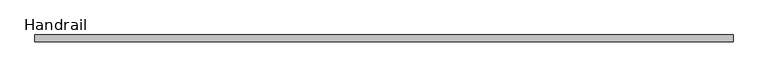
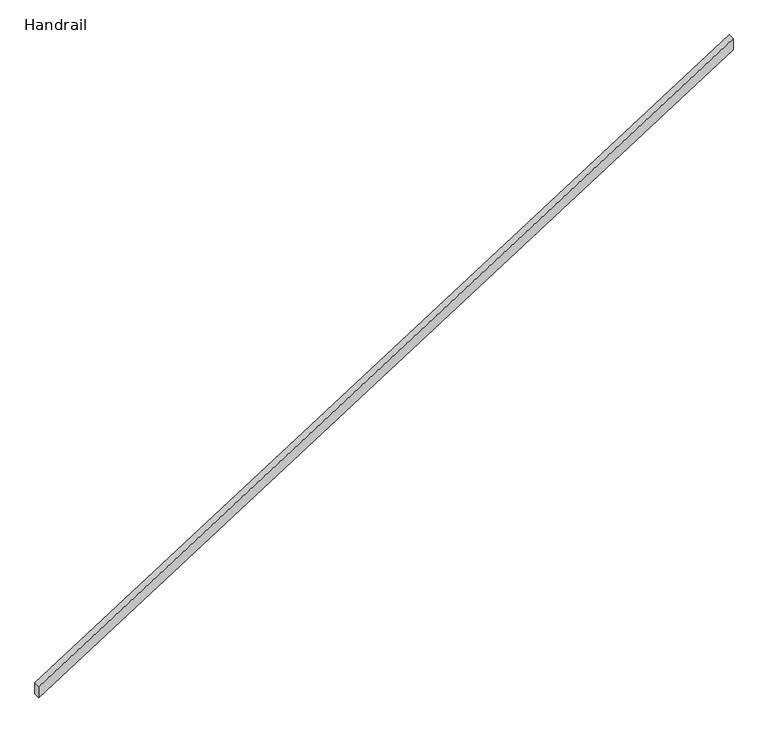
"""IFC4 building model written with IfcOpenShell, lengths in millimetres: railing geometry, Handrail."""

from ifc_helpers import new_model, si_unit, frame, origin, place, context, project, spatial, polyline, outline, extrude, source, transform, mapped, element, save


def handrail_60e05079(model_context):
    return source(origin(), model_context, "Body", "SweptSolid", [
        extrude(outline(polyline([(1092.2, 15494.1910965), (1001.8794139, 15494.1910965), (4380.0794139, 20802.7910965), (4470.4, 20802.7910965), (1092.2, 15494.1910965)])), frame((0.0, -58520.5454906, 0.0), z_axis=(0.0, 1.0, 0.0), x_axis=(0.0, 0.0, 1.0)), (0.0, 0.0, 1.0), 50.8),
    ])


if __name__ == "__main__":
    model = new_model("IFC4")
    model_context = context("Model", 3, world=origin())
    ifc_project = project(units=[si_unit("LENGTHUNIT", "METRE", prefix="MILLI")], contexts=[model_context])
    site = spatial("IfcSite", under=ifc_project)
    building = spatial("IfcBuilding", under=site)
    placement = place(None, origin())
    handrail_shape = handrail_60e05079(model_context)
    element("IfcRailing", 1, ObjectType="Handrail", at=placement, inside=building, context=model_context, shape_type="MappedRepresentation", body=[
        mapped(handrail_shape, transform((0.0, 0.0, 0.0), x_axis=(1.0, 0.0, 0.0), y_axis=(0.0, 1.0, 0.0), z_axis=(0.0, 0.0, 1.0))),
    ])
    save(model, "model.ifc")
